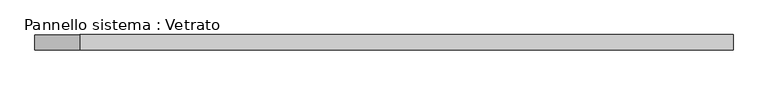
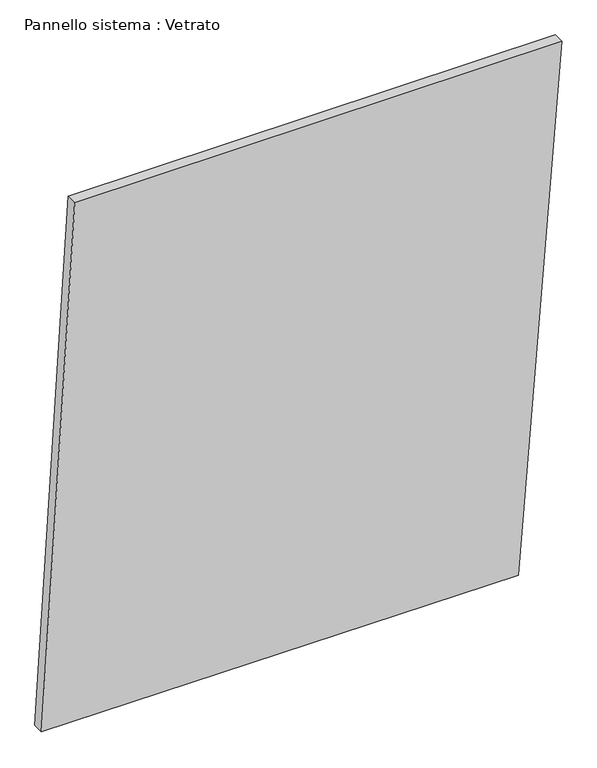
"""IFC4 building model written with IfcOpenShell, lengths in millimetres: plate geometry, Pannello sistema : Vetrato."""

from ifc_helpers import new_model, si_unit, frame, origin, place, context, project, spatial, polyline, outline, extrude, source, transform, mapped, element, save


def pannello_sistema_vetrato_8167ba45(model_context):
    return source(origin(), model_context, "Body", "SweptSolid", [
        extrude(outline(polyline([(3.6154937, -693.345618), (0.0, 577.1676224), (1461.1606005, 693.345618), (1461.1606005, -604.660238), (3.6154937, -693.345618)])), frame((0.0, -15.0, 0.0), z_axis=(0.0, 1.0, 0.0), x_axis=(0.0, 0.0, 1.0)), (0.0, 0.0, 1.0), 30.0),
    ])


if __name__ == "__main__":
    model = new_model("IFC4")
    model_context = context("Model", 3, world=origin())
    ifc_project = project(units=[si_unit("LENGTHUNIT", "METRE", prefix="MILLI")], contexts=[model_context])
    site = spatial("IfcSite", under=ifc_project)
    building = spatial("IfcBuilding", under=site)
    placement = place(None, origin())
    pannello_sistema_vetrato_shape = pannello_sistema_vetrato_8167ba45(model_context)
    element("IfcPlate", 1, ObjectType="Pannello sistema : Vetrato", at=placement, inside=building, context=model_context, shape_type="MappedRepresentation", body=[
        mapped(pannello_sistema_vetrato_shape, transform((0.0, 0.0, 0.0), x_axis=(1.0, 0.0, 0.0), y_axis=(0.0, 1.0, 0.0), z_axis=(0.0, 0.0, 1.0))),
    ])
    save(model, "model.ifc")
